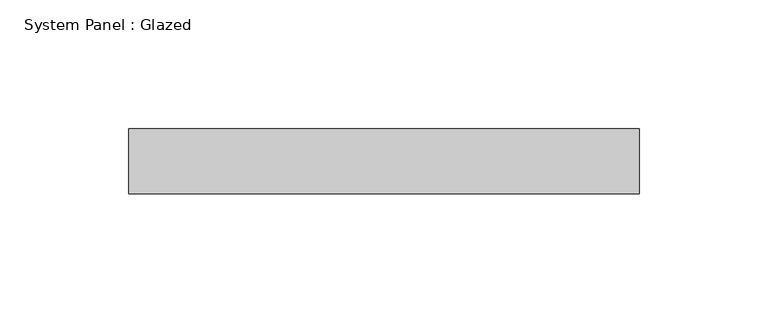
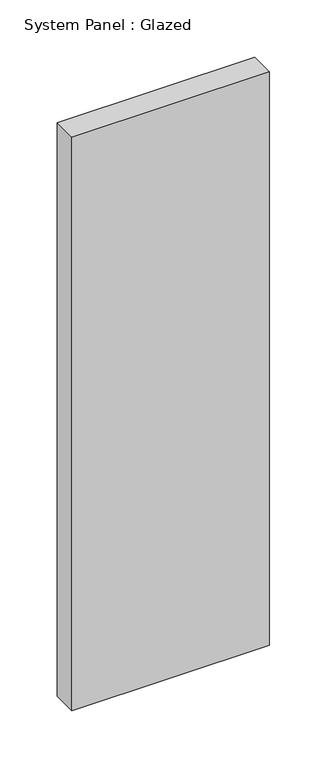
"""IFC4 building model written with IfcOpenShell, lengths in millimetres: plate geometry, System Panel : Glazed."""

import ifcopenshell
import ifcopenshell.guid

model = None  # the IFC model being written
_history = None  # IfcOwnerHistory: only IFC2X3 demands one
_inside = {}  # id of a spatial element -> (the spatial element, [elements in it])
_under = {}  # id of a project, library or spatial element -> (it, [spatial elements below it])
_declared = {}  # id of a project -> (the project, [libraries it declares])
_typed = {}  # id of a type object -> (the type object, [elements of that type])
_made_of = {}  # id of a material, layer set ... -> (it, [elements and type objects made of it])


def new_model(schema):
    """Start an empty IFC model of exactly this schema.

    Asked for "IFC4X3", IfcOpenShell would pick the latest addendum, in which some entities
    have other attributes; the version numbers below select the first issue.
    IFC2X3 requires an IfcOwnerHistory on every rooted entity: one is made here for all.
    """
    global model, _history
    if schema == "IFC4X3":
        model = ifcopenshell.file(schema_version=(4, 3, 0, 0))
    else:
        model = ifcopenshell.file(schema=schema)
    _inside.clear()
    _under.clear()
    _declared.clear()
    _typed.clear()
    _made_of.clear()
    _history = None
    if model.schema == "IFC2X3":
        org = make("IfcOrganization", Name="unknown")
        user = make(
            "IfcPersonAndOrganization",
            ThePerson=make("IfcPerson", FamilyName="unknown"),
            TheOrganization=org,
        )
        app = make(
            "IfcApplication",
            ApplicationDeveloper=org,
            Version="unknown",
            ApplicationFullName="unknown",
            ApplicationIdentifier="unknown",
        )
        _history = make(
            "IfcOwnerHistory",
            OwningUser=user,
            OwningApplication=app,
            ChangeAction="ADDED",
            CreationDate=0,
        )
    return model


def make(cls, **values):
    """One entity of the class cls with the attributes given. An attribute that is None is left unset."""
    return model.create_entity(
        cls, **{name: value for name, value in values.items() if value is not None}
    )


def rooted(cls, **values):
    """An entity with a GlobalId (a new one), such as an element, a storey or a relation."""
    return make(cls, GlobalId=ifcopenshell.guid.new(), OwnerHistory=_history, **values)


def si_unit(unit_type, name, prefix=None):
    """IfcSIUnit, for example si_unit("LENGTHUNIT", "METRE", prefix="MILLI")."""
    return make("IfcSIUnit", UnitType=unit_type, Prefix=prefix, Name=name)


def assignment(units):
    """IfcUnitAssignment: the units of a project."""
    return None if units is None else make("IfcUnitAssignment", Units=units)


def point(xyz):
    """IfcCartesianPoint."""
    return None if xyz is None else make("IfcCartesianPoint", Coordinates=xyz)


def direction(xyz):
    """IfcDirection."""
    return None if xyz is None else make("IfcDirection", DirectionRatios=xyz)


def frame(location, z_axis=None, x_axis=None):
    """IfcAxis2Placement3D, a coordinate frame: its origin and axes. An axis left out is left unset."""
    return make(
        "IfcAxis2Placement3D",
        Location=point(location),
        Axis=direction(z_axis),
        RefDirection=direction(x_axis),
    )


def origin():
    """The frame at (0, 0, 0) with its axes left unset."""
    return frame((0.0, 0.0, 0.0))


def origin_with_axes():
    """The frame at (0, 0, 0) with the z axis (0, 0, 1) and the x axis (1, 0, 0) written out."""
    return frame((0.0, 0.0, 0.0), z_axis=(0.0, 0.0, 1.0), x_axis=(1.0, 0.0, 0.0))


def place(relative_to, where):
    """IfcLocalPlacement: puts the frame where relative to a parent placement (None: the world)."""
    return make(
        "IfcLocalPlacement", PlacementRelTo=relative_to, RelativePlacement=where
    )


def context(
    kind, dimensions, precision=None, world=None, true_north=None, identifier=None
):
    """IfcGeometricRepresentationContext, for example the 3D "Model" context."""
    return make(
        "IfcGeometricRepresentationContext",
        ContextIdentifier=identifier,
        ContextType=kind,
        CoordinateSpaceDimension=dimensions,
        Precision=precision,
        WorldCoordinateSystem=world,
        TrueNorth=true_north,
    )


def project(units=None, contexts=None):
    """IfcProject with its units and contexts."""
    return rooted(
        "IfcProject",
        Name="project",
        RepresentationContexts=contexts,
        UnitsInContext=assignment(units),
    )


def spatial(cls, under=None, at=None, **own):
    """A site, building, storey or space (cls), placed at a placement, below another one or the project."""
    s = rooted(cls, ObjectPlacement=at, **own)
    if under is not None:
        _under.setdefault(under.id(), (under, []))[1].append(s)
    return s


def polyline(points):
    """IfcPolyline through the points."""
    return make("IfcPolyline", Points=[point(p) for p in points])


def outline(outer, holes=None, kind="AREA"):
    """IfcArbitraryClosedProfileDef: a profile drawn as a closed curve; with holes, ...WithVoids."""
    if holes is None:
        return make("IfcArbitraryClosedProfileDef", ProfileType=kind, OuterCurve=outer)
    return make(
        "IfcArbitraryProfileDefWithVoids",
        ProfileType=kind,
        OuterCurve=outer,
        InnerCurves=holes,
    )


def extrude(swept, where, along, depth):
    """IfcExtrudedAreaSolid: the profile swept, set in the frame where, extruded along a direction by depth."""
    return make(
        "IfcExtrudedAreaSolid",
        SweptArea=swept,
        Position=where,
        ExtrudedDirection=direction(along),
        Depth=depth,
    )


def shape(context_of_items, identifier, shape_type, items):
    """IfcShapeRepresentation: the items that make up one representation, for example the "Body"."""
    return make(
        "IfcShapeRepresentation",
        ContextOfItems=context_of_items,
        RepresentationIdentifier=identifier,
        RepresentationType=shape_type,
        Items=items,
    )


def source(mapping_origin, context_of_items, identifier, shape_type, items):
    """IfcRepresentationMap: a shape defined once, which mapped items show again and again."""
    return make(
        "IfcRepresentationMap",
        MappingOrigin=mapping_origin,
        MappedRepresentation=shape(context_of_items, identifier, shape_type, items),
    )


def transform(
    local_origin,
    x_axis=None,
    y_axis=None,
    z_axis=None,
    scale=None,
    scale2=None,
    scale3=None,
    uniform=True,
):
    """IfcCartesianTransformationOperator3D, or its non-uniform kind. x_axis, y_axis, z_axis: its Axis1, 2, 3."""
    if uniform:
        return make(
            "IfcCartesianTransformationOperator3D",
            Axis1=direction(x_axis),
            Axis2=direction(y_axis),
            LocalOrigin=point(local_origin),
            Scale=scale,
            Axis3=direction(z_axis),
        )
    return make(
        "IfcCartesianTransformationOperator3DnonUniform",
        Axis1=direction(x_axis),
        Axis2=direction(y_axis),
        LocalOrigin=point(local_origin),
        Scale=scale,
        Axis3=direction(z_axis),
        Scale2=scale2,
        Scale3=scale3,
    )


def mapped(mapping_source, mapping_target):
    """IfcMappedItem: shows the shape of a source again, moved by a transform."""
    return make(
        "IfcMappedItem", MappingSource=mapping_source, MappingTarget=mapping_target
    )


def made_of(thing, what):
    """Note that an element or type object is made of a material, layer set ...; save() writes the relation."""
    if what is not None:
        _made_of.setdefault(what.id(), (what, []))[1].append(thing)
    return thing


def element(
    cls,
    number,
    at=None,
    inside=None,
    cuts=None,
    type_object=None,
    material=None,
    context=None,
    identifier="Body",
    shape_type=None,
    held_by="IfcProductDefinitionShape",
    body=None,
    shapes=None,
    **own,
):
    """One element of the class cls, such as IfcWall. Its Tag is "e" and its number.

    at: its placement. inside: the storey or other place that contains it. cuts: it is an
    opening in that element (IfcRelVoidsElement). A single representation is given by context,
    identifier, shape_type and body (its items); several are given by shapes. held_by: the class
    of the entity that holds the representations. save() writes the other relations.
    """
    e = rooted(cls, Tag="e%d" % number, ObjectPlacement=at, **own)
    if body is not None:
        shapes = [shape(context, identifier, shape_type, body)]
    if shapes is not None:
        e.Representation = make(held_by, Representations=shapes)
    if inside is not None:
        _inside.setdefault(inside.id(), (inside, []))[1].append(e)
    if cuts is not None:
        rooted(
            "IfcRelVoidsElement", RelatingBuildingElement=cuts, RelatedOpeningElement=e
        )
    if type_object is not None:
        _typed.setdefault(type_object.id(), (type_object, []))[1].append(e)
    return made_of(e, material)


def aggregate(whole, parts):
    """IfcRelAggregates: a whole, such as a stair, and the parts it consists of."""
    return rooted("IfcRelAggregates", RelatingObject=whole, RelatedObjects=parts)


def save(model, path):
    """Write the relations noted so far, then the file.

    IfcRelAggregates (storeys below a building ...), IfcRelContainedInSpatialStructure (elements
    in a storey), IfcRelDefinesByType, IfcRelAssociatesMaterial and IfcRelDeclares: one each for
    every whole, place, type object, material and project.
    """
    for whole, parts in _under.values():
        aggregate(whole, parts)
    for where, things in _inside.values():
        rooted(
            "IfcRelContainedInSpatialStructure",
            RelatedElements=things,
            RelatingStructure=where,
        )
    for kind, things in _typed.values():
        rooted("IfcRelDefinesByType", RelatedObjects=things, RelatingType=kind)
    for what, things in _made_of.values():
        rooted("IfcRelAssociatesMaterial", RelatedObjects=things, RelatingMaterial=what)
    for by, libraries in _declared.values():
        rooted("IfcRelDeclares", RelatingContext=by, RelatedDefinitions=libraries)
    model.write(path)


def system_panel_glazed_a028782d(model_context):
    return source(origin(), model_context, "Body", "SweptSolid", [
        extrude(outline(polyline([(99.3243975, 19.05), (-99.3243975, 19.05), (-99.3243975, 44.45), (99.3243975, 44.45), (99.3243975, 19.05)])), origin_with_axes(), (0.0, 0.0, 1.0), 609.6),
    ])


if __name__ == "__main__":
    model = new_model("IFC4")
    model_context = context("Model", 3, world=origin())
    ifc_project = project(units=[si_unit("LENGTHUNIT", "METRE", prefix="MILLI")], contexts=[model_context])
    site = spatial("IfcSite", under=ifc_project)
    building = spatial("IfcBuilding", under=site)
    placement = place(None, origin())
    system_panel_glazed_shape = system_panel_glazed_a028782d(model_context)
    element("IfcPlate", 1, ObjectType="System Panel : Glazed", at=placement, inside=building, context=model_context, shape_type="MappedRepresentation", body=[
        mapped(system_panel_glazed_shape, transform((0.0, 0.0, 0.0), x_axis=(1.0, 0.0, 0.0), y_axis=(0.0, 1.0, 0.0), z_axis=(0.0, 0.0, 1.0))),
    ])
    save(model, "model.ifc")
